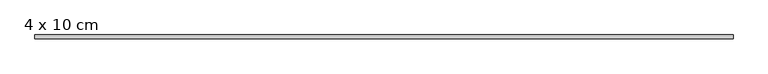
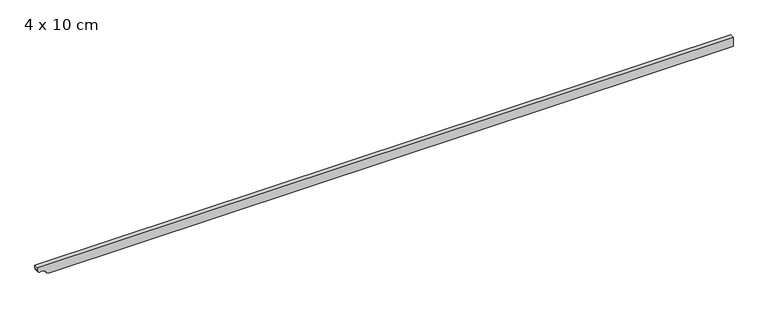
"""IFC4 building model written with IfcOpenShell, lengths in millimetres: beam geometry, 4 x 10 cm."""

from ifc_helpers import new_model, si_unit, point, frame, frame_2d, origin, place, context, project, spatial, polyline, circle_curve, trimmed, segment, composite_curve, outline, extrude, source, transform, mapped, element, save


def beam_4_x_10_cm_5912647b(model_context):
    return source(origin(), model_context, "Body", "SweptSolid", [
        extrude(outline(composite_curve([segment(polyline([(50.0, 3692.3468206), (50.0, -3692.689541), (22.5, -3692.689541)]), True, "CONTINUOUS"), segment(trimmed(circle_curve(frame_2d((22.5, -3660.189541)), 32.5), [point((22.5, -3692.689541))], [point((-10.0, -3660.189541))], False, "CARTESIAN"), True, "CONTINUOUS"), segment(polyline([(-10.0, -3660.189541), (-10.0, -3629.1793358)]), True, "CONTINUOUS"), segment(trimmed(circle_curve(frame_2d((-40.0, -3629.1793358)), 30.0), [point((-10.0, -3629.1793358))], [point((-34.0, -3599.7854589))], True, "CARTESIAN"), True, "CONTINUOUS"), segment(trimmed(circle_curve(frame_2d((-3.1535049, -3560.4345537)), 50.0), [point((-34.0, -3599.7854589))], [point((-53.1535049, -3560.4345537))], False, "CARTESIAN"), True, "CONTINUOUS"), segment(polyline([(-53.1535049, -3560.4345537), (-53.1535049, 3692.3468206), (50.0, 3692.3468206)]), True, "CONTINUOUS")], self_intersect=False)), frame((0.0, -20.0, 0.0), z_axis=(0.0, 1.0, 0.0), x_axis=(0.0, 0.0, 1.0)), (0.0, 0.0, 1.0), 40.0),
    ])


if __name__ == "__main__":
    model = new_model("IFC4")
    model_context = context("Model", 3, world=origin())
    ifc_project = project(units=[si_unit("LENGTHUNIT", "METRE", prefix="MILLI")], contexts=[model_context])
    site = spatial("IfcSite", under=ifc_project)
    building = spatial("IfcBuilding", under=site)
    placement = place(None, origin())
    beam_4_x_10_cm_shape = beam_4_x_10_cm_5912647b(model_context)
    element("IfcBeam", 1, ObjectType="4 x 10 cm", at=placement, inside=building, context=model_context, shape_type="MappedRepresentation", body=[
        mapped(beam_4_x_10_cm_shape, transform((0.0, 0.0, 0.0), x_axis=(1.0, 0.0, 0.0), y_axis=(0.0, 1.0, 0.0), z_axis=(0.0, 0.0, 1.0))),
    ])
    save(model, "model.ifc")
